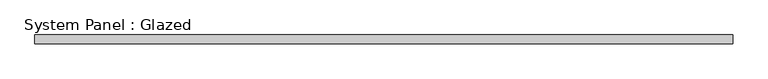
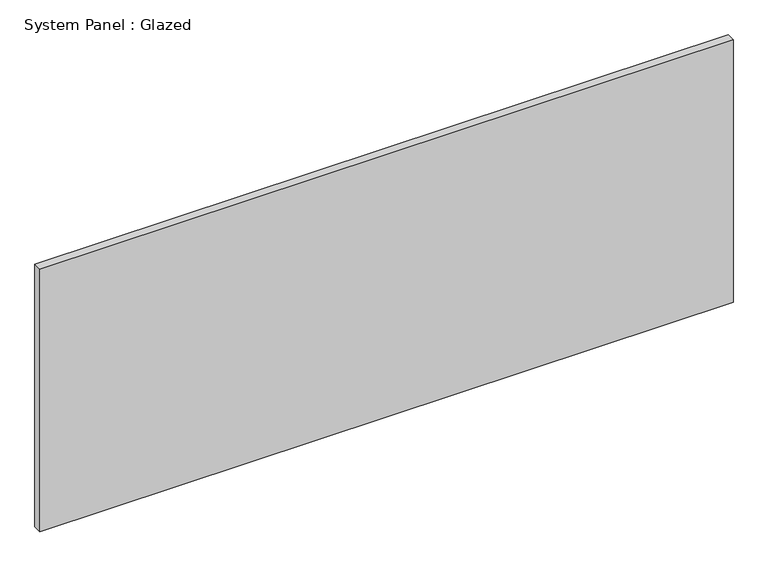
"""IFC4 building model written with IfcOpenShell, lengths in millimetres: plate geometry, System Panel : Glazed."""

import ifcopenshell
import ifcopenshell.guid

model = None  # the IFC model being written
_history = None  # IfcOwnerHistory: only IFC2X3 demands one
_inside = {}  # id of a spatial element -> (the spatial element, [elements in it])
_under = {}  # id of a project, library or spatial element -> (it, [spatial elements below it])
_declared = {}  # id of a project -> (the project, [libraries it declares])
_typed = {}  # id of a type object -> (the type object, [elements of that type])
_made_of = {}  # id of a material, layer set ... -> (it, [elements and type objects made of it])


def new_model(schema):
    """Start an empty IFC model of exactly this schema.

    Asked for "IFC4X3", IfcOpenShell would pick the latest addendum, in which some entities
    have other attributes; the version numbers below select the first issue.
    IFC2X3 requires an IfcOwnerHistory on every rooted entity: one is made here for all.
    """
    global model, _history
    if schema == "IFC4X3":
        model = ifcopenshell.file(schema_version=(4, 3, 0, 0))
    else:
        model = ifcopenshell.file(schema=schema)
    _inside.clear()
    _under.clear()
    _declared.clear()
    _typed.clear()
    _made_of.clear()
    _history = None
    if model.schema == "IFC2X3":
        org = make("IfcOrganization", Name="unknown")
        user = make(
            "IfcPersonAndOrganization",
            ThePerson=make("IfcPerson", FamilyName="unknown"),
            TheOrganization=org,
        )
        app = make(
            "IfcApplication",
            ApplicationDeveloper=org,
            Version="unknown",
            ApplicationFullName="unknown",
            ApplicationIdentifier="unknown",
        )
        _history = make(
            "IfcOwnerHistory",
            OwningUser=user,
            OwningApplication=app,
            ChangeAction="ADDED",
            CreationDate=0,
        )
    return model


def make(cls, **values):
    """One entity of the class cls with the attributes given. An attribute that is None is left unset."""
    return model.create_entity(
        cls, **{name: value for name, value in values.items() if value is not None}
    )


def rooted(cls, **values):
    """An entity with a GlobalId (a new one), such as an element, a storey or a relation."""
    return make(cls, GlobalId=ifcopenshell.guid.new(), OwnerHistory=_history, **values)


def si_unit(unit_type, name, prefix=None):
    """IfcSIUnit, for example si_unit("LENGTHUNIT", "METRE", prefix="MILLI")."""
    return make("IfcSIUnit", UnitType=unit_type, Prefix=prefix, Name=name)


def assignment(units):
    """IfcUnitAssignment: the units of a project."""
    return None if units is None else make("IfcUnitAssignment", Units=units)


def point(xyz):
    """IfcCartesianPoint."""
    return None if xyz is None else make("IfcCartesianPoint", Coordinates=xyz)


def direction(xyz):
    """IfcDirection."""
    return None if xyz is None else make("IfcDirection", DirectionRatios=xyz)


def frame(location, z_axis=None, x_axis=None):
    """IfcAxis2Placement3D, a coordinate frame: its origin and axes. An axis left out is left unset."""
    return make(
        "IfcAxis2Placement3D",
        Location=point(location),
        Axis=direction(z_axis),
        RefDirection=direction(x_axis),
    )


def origin():
    """The frame at (0, 0, 0) with its axes left unset."""
    return frame((0.0, 0.0, 0.0))


def origin_with_axes():
    """The frame at (0, 0, 0) with the z axis (0, 0, 1) and the x axis (1, 0, 0) written out."""
    return frame((0.0, 0.0, 0.0), z_axis=(0.0, 0.0, 1.0), x_axis=(1.0, 0.0, 0.0))


def place(relative_to, where):
    """IfcLocalPlacement: puts the frame where relative to a parent placement (None: the world)."""
    return make(
        "IfcLocalPlacement", PlacementRelTo=relative_to, RelativePlacement=where
    )


def context(
    kind, dimensions, precision=None, world=None, true_north=None, identifier=None
):
    """IfcGeometricRepresentationContext, for example the 3D "Model" context."""
    return make(
        "IfcGeometricRepresentationContext",
        ContextIdentifier=identifier,
        ContextType=kind,
        CoordinateSpaceDimension=dimensions,
        Precision=precision,
        WorldCoordinateSystem=world,
        TrueNorth=true_north,
    )


def project(units=None, contexts=None):
    """IfcProject with its units and contexts."""
    return rooted(
        "IfcProject",
        Name="project",
        RepresentationContexts=contexts,
        UnitsInContext=assignment(units),
    )


def spatial(cls, under=None, at=None, **own):
    """A site, building, storey or space (cls), placed at a placement, below another one or the project."""
    s = rooted(cls, ObjectPlacement=at, **own)
    if under is not None:
        _under.setdefault(under.id(), (under, []))[1].append(s)
    return s


def polyline(points):
    """IfcPolyline through the points."""
    return make("IfcPolyline", Points=[point(p) for p in points])


def outline(outer, holes=None, kind="AREA"):
    """IfcArbitraryClosedProfileDef: a profile drawn as a closed curve; with holes, ...WithVoids."""
    if holes is None:
        return make("IfcArbitraryClosedProfileDef", ProfileType=kind, OuterCurve=outer)
    return make(
        "IfcArbitraryProfileDefWithVoids",
        ProfileType=kind,
        OuterCurve=outer,
        InnerCurves=holes,
    )


def extrude(swept, where, along, depth):
    """IfcExtrudedAreaSolid: the profile swept, set in the frame where, extruded along a direction by depth."""
    return make(
        "IfcExtrudedAreaSolid",
        SweptArea=swept,
        Position=where,
        ExtrudedDirection=direction(along),
        Depth=depth,
    )


def shape(context_of_items, identifier, shape_type, items):
    """IfcShapeRepresentation: the items that make up one representation, for example the "Body"."""
    return make(
        "IfcShapeRepresentation",
        ContextOfItems=context_of_items,
        RepresentationIdentifier=identifier,
        RepresentationType=shape_type,
        Items=items,
    )


def source(mapping_origin, context_of_items, identifier, shape_type, items):
    """IfcRepresentationMap: a shape defined once, which mapped items show again and again."""
    return make(
        "IfcRepresentationMap",
        MappingOrigin=mapping_origin,
        MappedRepresentation=shape(context_of_items, identifier, shape_type, items),
    )


def transform(
    local_origin,
    x_axis=None,
    y_axis=None,
    z_axis=None,
    scale=None,
    scale2=None,
    scale3=None,
    uniform=True,
):
    """IfcCartesianTransformationOperator3D, or its non-uniform kind. x_axis, y_axis, z_axis: its Axis1, 2, 3."""
    if uniform:
        return make(
            "IfcCartesianTransformationOperator3D",
            Axis1=direction(x_axis),
            Axis2=direction(y_axis),
            LocalOrigin=point(local_origin),
            Scale=scale,
            Axis3=direction(z_axis),
        )
    return make(
        "IfcCartesianTransformationOperator3DnonUniform",
        Axis1=direction(x_axis),
        Axis2=direction(y_axis),
        LocalOrigin=point(local_origin),
        Scale=scale,
        Axis3=direction(z_axis),
        Scale2=scale2,
        Scale3=scale3,
    )


def mapped(mapping_source, mapping_target):
    """IfcMappedItem: shows the shape of a source again, moved by a transform."""
    return make(
        "IfcMappedItem", MappingSource=mapping_source, MappingTarget=mapping_target
    )


def made_of(thing, what):
    """Note that an element or type object is made of a material, layer set ...; save() writes the relation."""
    if what is not None:
        _made_of.setdefault(what.id(), (what, []))[1].append(thing)
    return thing


def element(
    cls,
    number,
    at=None,
    inside=None,
    cuts=None,
    type_object=None,
    material=None,
    context=None,
    identifier="Body",
    shape_type=None,
    held_by="IfcProductDefinitionShape",
    body=None,
    shapes=None,
    **own,
):
    """One element of the class cls, such as IfcWall. Its Tag is "e" and its number.

    at: its placement. inside: the storey or other place that contains it. cuts: it is an
    opening in that element (IfcRelVoidsElement). A single representation is given by context,
    identifier, shape_type and body (its items); several are given by shapes. held_by: the class
    of the entity that holds the representations. save() writes the other relations.
    """
    e = rooted(cls, Tag="e%d" % number, ObjectPlacement=at, **own)
    if body is not None:
        shapes = [shape(context, identifier, shape_type, body)]
    if shapes is not None:
        e.Representation = make(held_by, Representations=shapes)
    if inside is not None:
        _inside.setdefault(inside.id(), (inside, []))[1].append(e)
    if cuts is not None:
        rooted(
            "IfcRelVoidsElement", RelatingBuildingElement=cuts, RelatedOpeningElement=e
        )
    if type_object is not None:
        _typed.setdefault(type_object.id(), (type_object, []))[1].append(e)
    return made_of(e, material)


def aggregate(whole, parts):
    """IfcRelAggregates: a whole, such as a stair, and the parts it consists of."""
    return rooted("IfcRelAggregates", RelatingObject=whole, RelatedObjects=parts)


def save(model, path):
    """Write the relations noted so far, then the file.

    IfcRelAggregates (storeys below a building ...), IfcRelContainedInSpatialStructure (elements
    in a storey), IfcRelDefinesByType, IfcRelAssociatesMaterial and IfcRelDeclares: one each for
    every whole, place, type object, material and project.
    """
    for whole, parts in _under.values():
        aggregate(whole, parts)
    for where, things in _inside.values():
        rooted(
            "IfcRelContainedInSpatialStructure",
            RelatedElements=things,
            RelatingStructure=where,
        )
    for kind, things in _typed.values():
        rooted("IfcRelDefinesByType", RelatedObjects=things, RelatingType=kind)
    for what, things in _made_of.values():
        rooted("IfcRelAssociatesMaterial", RelatedObjects=things, RelatingMaterial=what)
    for by, libraries in _declared.values():
        rooted("IfcRelDeclares", RelatingContext=by, RelatedDefinitions=libraries)
    model.write(path)


def system_panel_glazed_d3eb4a58(model_context):
    return source(origin(), model_context, "Body", "SweptSolid", [
        extrude(outline(polyline([(1000.0, 19.05), (-1000.0, 19.05), (-1000.0, 44.45), (1000.0, 44.45), (1000.0, 19.05)])), origin_with_axes(), (0.0, 0.0, 1.0), 800.0),
    ])


if __name__ == "__main__":
    model = new_model("IFC4")
    model_context = context("Model", 3, world=origin())
    ifc_project = project(units=[si_unit("LENGTHUNIT", "METRE", prefix="MILLI")], contexts=[model_context])
    site = spatial("IfcSite", under=ifc_project)
    building = spatial("IfcBuilding", under=site)
    placement = place(None, origin())
    system_panel_glazed_shape = system_panel_glazed_d3eb4a58(model_context)
    element("IfcPlate", 1, ObjectType="System Panel : Glazed", at=placement, inside=building, context=model_context, shape_type="MappedRepresentation", body=[
        mapped(system_panel_glazed_shape, transform((0.0, 0.0, 0.0), x_axis=(1.0, 0.0, 0.0), y_axis=(0.0, 1.0, 0.0), z_axis=(0.0, 0.0, 1.0))),
    ])
    save(model, "model.ifc")
